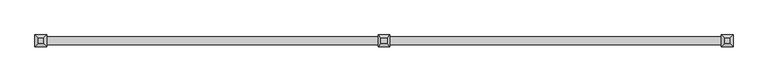
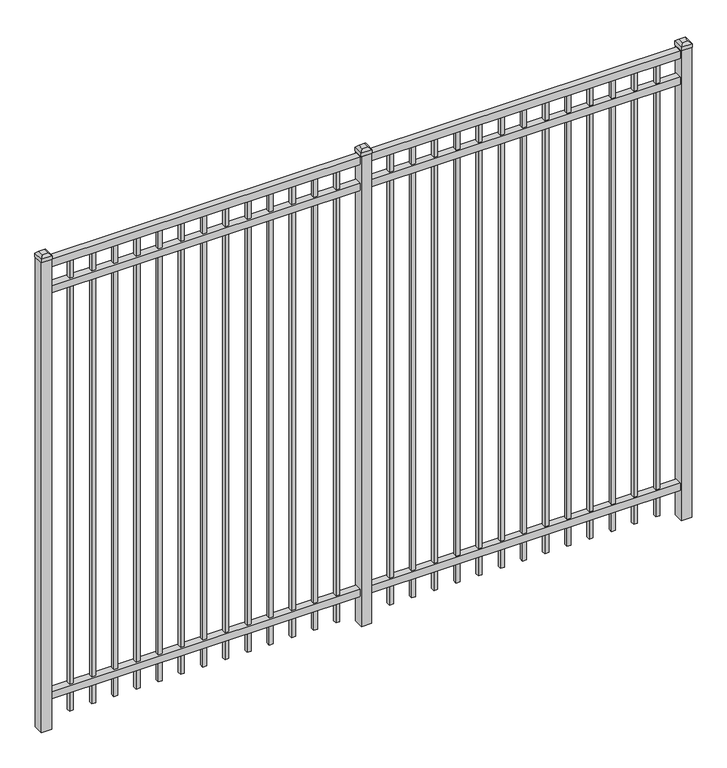
"""IFC4 building model written with IfcOpenShell, lengths in millimetres: railing geometry."""

from ifc_helpers import new_model, si_unit, frame, origin, origin_with_axes, place, context, project, spatial, polyline, outline, extrude, faceted_brep, source, transform, mapped, element, save


def railing_fe76bb7c(model_context):
    return source(origin(), model_context, "Body", "SolidModel", [
        extrude(outline(polyline([(-55249.318087, -652.7195174), (-55249.318087, -617.7945174), (-52099.718087, -617.7945174), (-52099.718087, -652.7195174), (-55249.318087, -652.7195174)])), frame((0.0, 0.0, 2400.3), z_axis=(0.0, 0.0, 1.0), x_axis=(1.0, 0.0, 0.0)), (0.0, 0.0, 1.0), 38.1),
        extrude(outline(polyline([(-55249.318087, -652.7195174), (-55249.318087, -617.7945174), (-52099.718087, -617.7945174), (-52099.718087, -652.7195174), (-55249.318087, -652.7195174)])), frame((0.0, 0.0, 2263.775), z_axis=(0.0, 0.0, 1.0), x_axis=(1.0, 0.0, 0.0)), (0.0, 0.0, 1.0), 38.1),
        extrude(outline(polyline([(-55249.318087, -652.7195174), (-55249.318087, -617.7945174), (-52099.718087, -617.7945174), (-52099.718087, -652.7195174), (-55249.318087, -652.7195174)])), frame((0.0, 0.0, 152.4), z_axis=(0.0, 0.0, 1.0), x_axis=(1.0, 0.0, 0.0)), (0.0, 0.0, 1.0), 38.1),
        extrude(outline(polyline([(-52331.2285036, -625.7320174), (-52331.2285036, -644.7820174), (-52350.2785036, -644.7820174), (-52350.2785036, -625.7320174), (-52331.2285036, -625.7320174)])), frame((0.0, 0.0, 50.8), z_axis=(0.0, 0.0, 1.0), x_axis=(1.0, 0.0, 0.0)), (0.0, 0.0, 1.0), 2349.5),
        extrude(outline(polyline([(-52440.5014203, -625.7320174), (-52440.5014203, -644.7820174), (-52459.5514203, -644.7820174), (-52459.5514203, -625.7320174), (-52440.5014203, -625.7320174)])), frame((0.0, 0.0, 50.8), z_axis=(0.0, 0.0, 1.0), x_axis=(1.0, 0.0, 0.0)), (0.0, 0.0, 1.0), 2349.5),
        extrude(outline(polyline([(-52549.774337, -625.7320174), (-52549.774337, -644.7820174), (-52568.824337, -644.7820174), (-52568.824337, -625.7320174), (-52549.774337, -625.7320174)])), frame((0.0, 0.0, 50.8), z_axis=(0.0, 0.0, 1.0), x_axis=(1.0, 0.0, 0.0)), (0.0, 0.0, 1.0), 2349.5),
        extrude(outline(polyline([(-52659.0472536, -625.7320174), (-52659.0472536, -644.7820174), (-52678.0972536, -644.7820174), (-52678.0972536, -625.7320174), (-52659.0472536, -625.7320174)])), frame((0.0, 0.0, 50.8), z_axis=(0.0, 0.0, 1.0), x_axis=(1.0, 0.0, 0.0)), (0.0, 0.0, 1.0), 2349.5),
        extrude(outline(polyline([(-52768.3201703, -625.7320174), (-52768.3201703, -644.7820174), (-52787.3701703, -644.7820174), (-52787.3701703, -625.7320174), (-52768.3201703, -625.7320174)])), frame((0.0, 0.0, 50.8), z_axis=(0.0, 0.0, 1.0), x_axis=(1.0, 0.0, 0.0)), (0.0, 0.0, 1.0), 2349.5),
        extrude(outline(polyline([(-52877.593087, -625.7320174), (-52877.593087, -644.7820174), (-52896.643087, -644.7820174), (-52896.643087, -625.7320174), (-52877.593087, -625.7320174)])), frame((0.0, 0.0, 50.8), z_axis=(0.0, 0.0, 1.0), x_axis=(1.0, 0.0, 0.0)), (0.0, 0.0, 1.0), 2349.5),
        extrude(outline(polyline([(-52986.8660036, -625.7320174), (-52986.8660036, -644.7820174), (-53005.9160036, -644.7820174), (-53005.9160036, -625.7320174), (-52986.8660036, -625.7320174)])), frame((0.0, 0.0, 50.8), z_axis=(0.0, 0.0, 1.0), x_axis=(1.0, 0.0, 0.0)), (0.0, 0.0, 1.0), 2349.5),
        extrude(outline(polyline([(-53096.1389203, -625.7320174), (-53096.1389203, -644.7820174), (-53115.1889203, -644.7820174), (-53115.1889203, -625.7320174), (-53096.1389203, -625.7320174)])), frame((0.0, 0.0, 50.8), z_axis=(0.0, 0.0, 1.0), x_axis=(1.0, 0.0, 0.0)), (0.0, 0.0, 1.0), 2349.5),
        extrude(outline(polyline([(-53205.411837, -625.7320174), (-53205.411837, -644.7820174), (-53224.461837, -644.7820174), (-53224.461837, -625.7320174), (-53205.411837, -625.7320174)])), frame((0.0, 0.0, 50.8), z_axis=(0.0, 0.0, 1.0), x_axis=(1.0, 0.0, 0.0)), (0.0, 0.0, 1.0), 2349.5),
        extrude(outline(polyline([(-53314.6847536, -625.7320174), (-53314.6847536, -644.7820174), (-53333.7347536, -644.7820174), (-53333.7347536, -625.7320174), (-53314.6847536, -625.7320174)])), frame((0.0, 0.0, 50.8), z_axis=(0.0, 0.0, 1.0), x_axis=(1.0, 0.0, 0.0)), (0.0, 0.0, 1.0), 2349.5),
        extrude(outline(polyline([(-53423.9576703, -625.7320174), (-53423.9576703, -644.7820174), (-53443.0076703, -644.7820174), (-53443.0076703, -625.7320174), (-53423.9576703, -625.7320174)])), frame((0.0, 0.0, 50.8), z_axis=(0.0, 0.0, 1.0), x_axis=(1.0, 0.0, 0.0)), (0.0, 0.0, 1.0), 2349.5),
        extrude(outline(polyline([(-52221.955587, -625.7320174), (-52221.955587, -644.7820174), (-52241.005587, -644.7820174), (-52241.005587, -625.7320174), (-52221.955587, -625.7320174)])), frame((0.0, 0.0, 50.8), z_axis=(0.0, 0.0, 1.0), x_axis=(1.0, 0.0, 0.0)), (0.0, 0.0, 1.0), 2349.5),
        extrude(outline(polyline([(-53533.230587, -625.7320174), (-53533.230587, -644.7820174), (-53552.280587, -644.7820174), (-53552.280587, -625.7320174), (-53533.230587, -625.7320174)])), frame((0.0, 0.0, 50.8), z_axis=(0.0, 0.0, 1.0), x_axis=(1.0, 0.0, 0.0)), (0.0, 0.0, 1.0), 2349.5),
        extrude(outline(polyline([(-53649.118087, -609.8570174), (-53649.118087, -660.6570174), (-53699.918087, -660.6570174), (-53699.918087, -609.8570174), (-53649.118087, -609.8570174)])), origin_with_axes(), (0.0, 0.0, 1.0), 2444.75),
        faceted_brep([(-53701.505587, -608.2695174, 2463.8), (-53701.505587, -608.2695174, 2444.75), (-53701.505587, -662.2445174, 2444.75), (-53701.505587, -662.2445174, 2463.8), (-53688.805587, -620.9695174, 2476.5), (-53688.805587, -649.5445174, 2476.5), (-53647.530587, -662.2445174, 2444.75), (-53647.530587, -662.2445174, 2463.8), (-53660.230587, -649.5445174, 2476.5), (-53647.530587, -608.2695174, 2444.75), (-53647.530587, -608.2695174, 2463.8), (-53660.230587, -620.9695174, 2476.5)], [[[0, 1, 2, 3]], [[4, 0, 3, 5]], [[3, 2, 6, 7]], [[5, 3, 7, 8]], [[7, 6, 9, 10]], [[8, 7, 10, 11]], [[10, 9, 1, 0]], [[11, 10, 0, 4]], [[5, 8, 11, 4]], [[1, 9, 6, 2]]]),
        extrude(outline(polyline([(-53906.0285036, -625.7320174), (-53906.0285036, -644.7820174), (-53925.0785036, -644.7820174), (-53925.0785036, -625.7320174), (-53906.0285036, -625.7320174)])), frame((0.0, 0.0, 50.8), z_axis=(0.0, 0.0, 1.0), x_axis=(1.0, 0.0, 0.0)), (0.0, 0.0, 1.0), 2349.5),
        extrude(outline(polyline([(-54015.3014203, -625.7320174), (-54015.3014203, -644.7820174), (-54034.3514203, -644.7820174), (-54034.3514203, -625.7320174), (-54015.3014203, -625.7320174)])), frame((0.0, 0.0, 50.8), z_axis=(0.0, 0.0, 1.0), x_axis=(1.0, 0.0, 0.0)), (0.0, 0.0, 1.0), 2349.5),
        extrude(outline(polyline([(-54124.574337, -625.7320174), (-54124.574337, -644.7820174), (-54143.624337, -644.7820174), (-54143.624337, -625.7320174), (-54124.574337, -625.7320174)])), frame((0.0, 0.0, 50.8), z_axis=(0.0, 0.0, 1.0), x_axis=(1.0, 0.0, 0.0)), (0.0, 0.0, 1.0), 2349.5),
        extrude(outline(polyline([(-54233.8472536, -625.7320174), (-54233.8472536, -644.7820174), (-54252.8972536, -644.7820174), (-54252.8972536, -625.7320174), (-54233.8472536, -625.7320174)])), frame((0.0, 0.0, 50.8), z_axis=(0.0, 0.0, 1.0), x_axis=(1.0, 0.0, 0.0)), (0.0, 0.0, 1.0), 2349.5),
        extrude(outline(polyline([(-54343.1201703, -625.7320174), (-54343.1201703, -644.7820174), (-54362.1701703, -644.7820174), (-54362.1701703, -625.7320174), (-54343.1201703, -625.7320174)])), frame((0.0, 0.0, 50.8), z_axis=(0.0, 0.0, 1.0), x_axis=(1.0, 0.0, 0.0)), (0.0, 0.0, 1.0), 2349.5),
        extrude(outline(polyline([(-54452.393087, -625.7320174), (-54452.393087, -644.7820174), (-54471.443087, -644.7820174), (-54471.443087, -625.7320174), (-54452.393087, -625.7320174)])), frame((0.0, 0.0, 50.8), z_axis=(0.0, 0.0, 1.0), x_axis=(1.0, 0.0, 0.0)), (0.0, 0.0, 1.0), 2349.5),
        extrude(outline(polyline([(-54561.6660036, -625.7320174), (-54561.6660036, -644.7820174), (-54580.7160036, -644.7820174), (-54580.7160036, -625.7320174), (-54561.6660036, -625.7320174)])), frame((0.0, 0.0, 50.8), z_axis=(0.0, 0.0, 1.0), x_axis=(1.0, 0.0, 0.0)), (0.0, 0.0, 1.0), 2349.5),
        extrude(outline(polyline([(-54670.9389203, -625.7320174), (-54670.9389203, -644.7820174), (-54689.9889203, -644.7820174), (-54689.9889203, -625.7320174), (-54670.9389203, -625.7320174)])), frame((0.0, 0.0, 50.8), z_axis=(0.0, 0.0, 1.0), x_axis=(1.0, 0.0, 0.0)), (0.0, 0.0, 1.0), 2349.5),
        extrude(outline(polyline([(-54780.211837, -625.7320174), (-54780.211837, -644.7820174), (-54799.261837, -644.7820174), (-54799.261837, -625.7320174), (-54780.211837, -625.7320174)])), frame((0.0, 0.0, 50.8), z_axis=(0.0, 0.0, 1.0), x_axis=(1.0, 0.0, 0.0)), (0.0, 0.0, 1.0), 2349.5),
        extrude(outline(polyline([(-54889.4847536, -625.7320174), (-54889.4847536, -644.7820174), (-54908.5347536, -644.7820174), (-54908.5347536, -625.7320174), (-54889.4847536, -625.7320174)])), frame((0.0, 0.0, 50.8), z_axis=(0.0, 0.0, 1.0), x_axis=(1.0, 0.0, 0.0)), (0.0, 0.0, 1.0), 2349.5),
        extrude(outline(polyline([(-54998.7576703, -625.7320174), (-54998.7576703, -644.7820174), (-55017.8076703, -644.7820174), (-55017.8076703, -625.7320174), (-54998.7576703, -625.7320174)])), frame((0.0, 0.0, 50.8), z_axis=(0.0, 0.0, 1.0), x_axis=(1.0, 0.0, 0.0)), (0.0, 0.0, 1.0), 2349.5),
        extrude(outline(polyline([(-53796.755587, -625.7320174), (-53796.755587, -644.7820174), (-53815.805587, -644.7820174), (-53815.805587, -625.7320174), (-53796.755587, -625.7320174)])), frame((0.0, 0.0, 50.8), z_axis=(0.0, 0.0, 1.0), x_axis=(1.0, 0.0, 0.0)), (0.0, 0.0, 1.0), 2349.5),
        extrude(outline(polyline([(-55108.030587, -625.7320174), (-55108.030587, -644.7820174), (-55127.080587, -644.7820174), (-55127.080587, -625.7320174), (-55108.030587, -625.7320174)])), frame((0.0, 0.0, 50.8), z_axis=(0.0, 0.0, 1.0), x_axis=(1.0, 0.0, 0.0)), (0.0, 0.0, 1.0), 2349.5),
        extrude(outline(polyline([(-52074.318087, -609.8570174), (-52074.318087, -660.6570174), (-52125.118087, -660.6570174), (-52125.118087, -609.8570174), (-52074.318087, -609.8570174)])), origin_with_axes(), (0.0, 0.0, 1.0), 2444.75),
        faceted_brep([(-52126.705587, -608.2695174, 2463.8), (-52126.705587, -608.2695174, 2444.75), (-52126.705587, -662.2445174, 2444.75), (-52126.705587, -662.2445174, 2463.8), (-52114.005587, -620.9695174, 2476.5), (-52114.005587, -649.5445174, 2476.5), (-52072.730587, -662.2445174, 2444.75), (-52072.730587, -662.2445174, 2463.8), (-52085.430587, -649.5445174, 2476.5), (-52072.730587, -608.2695174, 2444.75), (-52072.730587, -608.2695174, 2463.8), (-52085.430587, -620.9695174, 2476.5)], [[[0, 1, 2, 3]], [[4, 0, 3, 5]], [[3, 2, 6, 7]], [[5, 3, 7, 8]], [[7, 6, 9, 10]], [[8, 7, 10, 11]], [[10, 9, 1, 0]], [[11, 10, 0, 4]], [[5, 8, 11, 4]], [[1, 9, 6, 2]]]),
        extrude(outline(polyline([(-55223.918087, -609.8570174), (-55223.918087, -660.6570174), (-55274.718087, -660.6570174), (-55274.718087, -609.8570174), (-55223.918087, -609.8570174)])), origin_with_axes(), (0.0, 0.0, 1.0), 2444.75),
        faceted_brep([(-55276.305587, -608.2695174, 2463.8), (-55276.305587, -608.2695174, 2444.75), (-55276.305587, -662.2445174, 2444.75), (-55276.305587, -662.2445174, 2463.8), (-55263.605587, -620.9695174, 2476.5), (-55263.605587, -649.5445174, 2476.5), (-55222.330587, -662.2445174, 2444.75), (-55222.330587, -662.2445174, 2463.8), (-55235.030587, -649.5445174, 2476.5), (-55222.330587, -608.2695174, 2444.75), (-55222.330587, -608.2695174, 2463.8), (-55235.030587, -620.9695174, 2476.5)], [[[0, 1, 2, 3]], [[4, 0, 3, 5]], [[3, 2, 6, 7]], [[5, 3, 7, 8]], [[7, 6, 9, 10]], [[8, 7, 10, 11]], [[10, 9, 1, 0]], [[11, 10, 0, 4]], [[5, 8, 11, 4]], [[1, 9, 6, 2]]]),
    ])


if __name__ == "__main__":
    model = new_model("IFC4")
    model_context = context("Model", 3, world=origin())
    ifc_project = project(units=[si_unit("LENGTHUNIT", "METRE", prefix="MILLI")], contexts=[model_context])
    site = spatial("IfcSite", under=ifc_project)
    building = spatial("IfcBuilding", under=site)
    placement = place(None, origin())
    railing_shape = railing_fe76bb7c(model_context)
    element("IfcRailing", 1, at=placement, inside=building, context=model_context, shape_type="MappedRepresentation", body=[
        mapped(railing_shape, transform((0.0, 0.0, 0.0), x_axis=(1.0, 0.0, 0.0), y_axis=(0.0, 1.0, 0.0), z_axis=(0.0, 0.0, 1.0))),
    ])
    save(model, "model.ifc")
